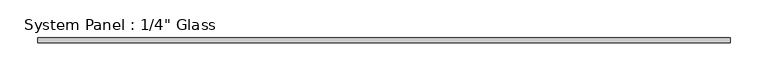
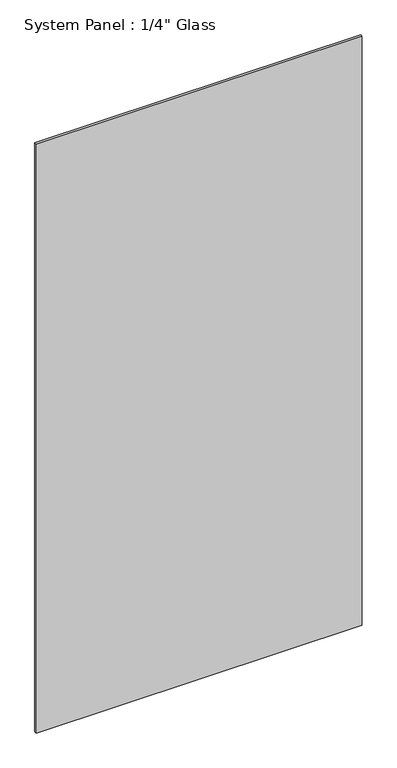
"""IFC4 building model written with IfcOpenShell, lengths in millimetres: plate geometry."""

from ifc_helpers import new_model, si_unit, origin, origin_with_axes, place, context, project, spatial, polyline, outline, extrude, source, transform, mapped, element, save


def plate_1eb20486(model_context):
    return source(origin(), model_context, "Body", "SweptSolid", [
        extrude(outline(polyline([(455.9275946, -3.175), (-455.9275946, -3.175), (-455.9275946, 3.175), (455.9275946, 3.175), (455.9275946, -3.175)])), origin_with_axes(), (0.0, 0.0, 1.0), 1739.9),
    ])


if __name__ == "__main__":
    model = new_model("IFC4")
    model_context = context("Model", 3, world=origin())
    ifc_project = project(units=[si_unit("LENGTHUNIT", "METRE", prefix="MILLI")], contexts=[model_context])
    site = spatial("IfcSite", under=ifc_project)
    building = spatial("IfcBuilding", under=site)
    placement = place(None, origin())
    plate_shape = plate_1eb20486(model_context)
    element("IfcPlate", 1, ObjectType="System Panel : 1/4\" Glass", at=placement, inside=building, context=model_context, shape_type="MappedRepresentation", body=[
        mapped(plate_shape, transform((0.0, 0.0, 0.0), x_axis=(1.0, 0.0, 0.0), y_axis=(0.0, 1.0, 0.0), z_axis=(0.0, 0.0, 1.0))),
    ])
    save(model, "model.ifc")
